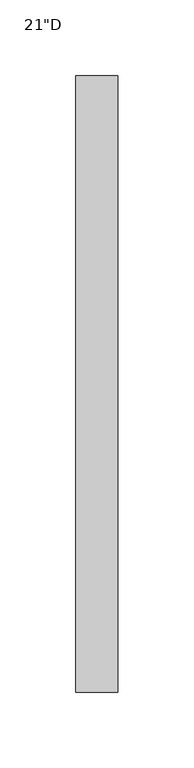
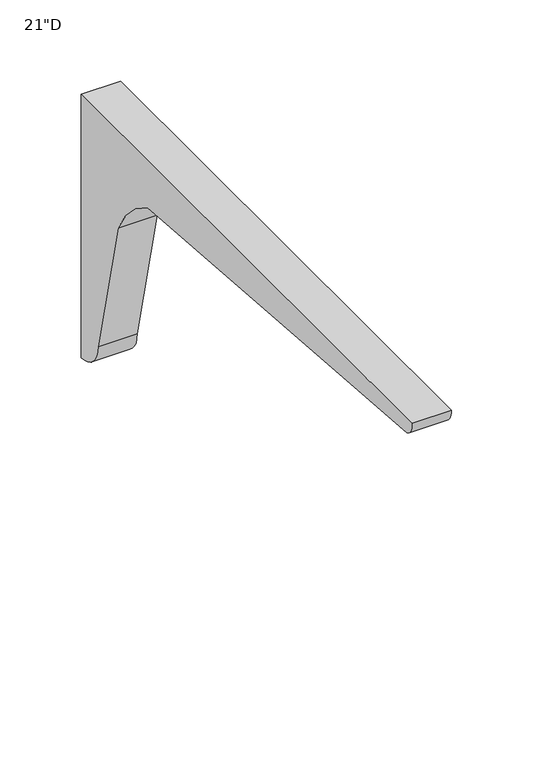
"""IFC4 building model written with IfcOpenShell, lengths in millimetres: furniture geometry."""

from ifc_helpers import new_model, si_unit, point, frame, frame_2d, origin, place, context, project, spatial, polyline, circle_curve, trimmed, segment, composite_curve, outline, extrude, source, transform, mapped, element, save


def furniture_90cbece0(model_context):
    return source(origin(), model_context, "Body", "SweptSolid", [
        extrude(outline(composite_curve([segment(trimmed(circle_curve(frame_2d((-143.9606717, 601.5123232)), 86.0560025), [point((-66.8363066, 639.6891209))], [point((-103.3820864, 677.4004909))], True, "CARTESIAN"), True, "CONTINUOUS"), segment(polyline([(-103.3820864, 677.4004909), (-421.4532059, 701.4877924)]), True, "CONTINUOUS"), segment(trimmed(circle_curve(frame_2d((-417.1486305, 711.6624211)), 11.0477345), [point((-421.4532059, 701.4877924))], [point((-428.15256, 712.64526))], False, "CARTESIAN"), True, "CONTINUOUS"), segment(polyline([(-428.15256, 712.64526), (-21.75256, 712.64526), (-21.75256, 515.398385)]), True, "CONTINUOUS"), segment(trimmed(circle_curve(frame_2d((-21.75256, 535.7997265)), 20.4013415), [point((-21.75256, 515.398385))], [point((-42.1539008, 535.7943148))], False, "CARTESIAN"), True, "CONTINUOUS"), segment(polyline([(-42.1539008, 535.7943148), (-66.8363066, 639.6891209)]), True, "CONTINUOUS")], self_intersect=False)), frame((4.8493945, 0.0, 0.0), z_axis=(1.0, 0.0, 0.0), x_axis=(0.0, 1.0, 0.0)), (0.0, 0.0, 1.0), 27.78125),
    ])


if __name__ == "__main__":
    model = new_model("IFC4")
    model_context = context("Model", 3, world=origin())
    ifc_project = project(units=[si_unit("LENGTHUNIT", "METRE", prefix="MILLI")], contexts=[model_context])
    site = spatial("IfcSite", under=ifc_project)
    building = spatial("IfcBuilding", under=site)
    placement = place(None, origin())
    furniture_shape = furniture_90cbece0(model_context)
    element("IfcFurniture", 1, ObjectType="21\"D", at=placement, inside=building, context=model_context, shape_type="MappedRepresentation", body=[
        mapped(furniture_shape, transform((0.0, 0.0, 0.0), x_axis=(1.0, 0.0, 0.0), y_axis=(0.0, 1.0, 0.0), z_axis=(0.0, 0.0, 1.0))),
    ])
    save(model, "model.ifc")
